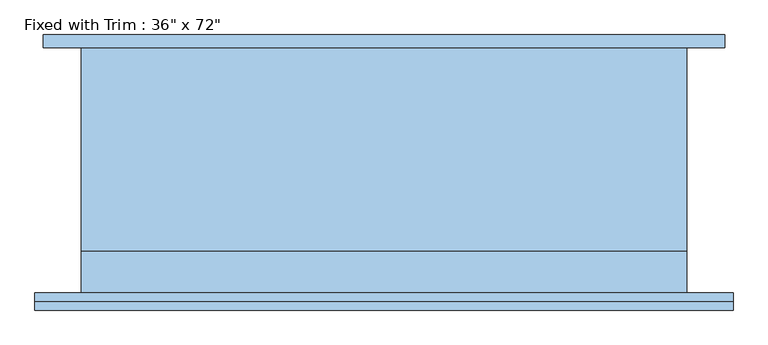
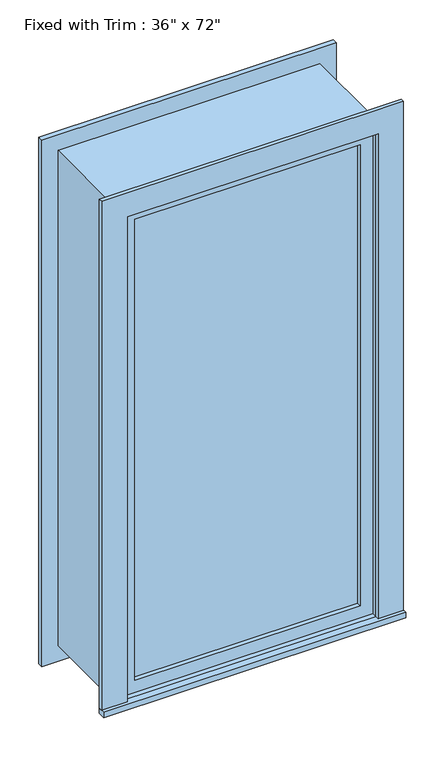
"""IFC4 building model written with IfcOpenShell, lengths in millimetres: window geometry."""

from ifc_helpers import new_model, si_unit, frame, origin, place, context, project, spatial, polyline, outline, extrude, source, transform, mapped, element, save


def window_fdc4315f(model_context):
    return source(origin(), model_context, "Body", "SweptSolid", [
        extrude(outline(polyline([(-565.15, -211.074), (-565.15, -185.674), (488.95, -185.674), (488.95, -211.074), (-565.15, -211.074)])), frame((0.0, 0.0, 304.8), z_axis=(0.0, 0.0, 1.0), x_axis=(1.0, 0.0, 0.0)), (0.0, 0.0, 1.0), 19.05),
        extrude(outline(polyline([(2114.55, -476.25), (2114.55, 400.05), (323.85, 400.05), (323.85, 488.95), (2203.45, 488.95), (2203.45, -565.15), (323.85, -565.15), (323.85, -476.25), (2114.55, -476.25)])), frame((0.0, -198.374, 0.0), z_axis=(0.0, 1.0, 0.0), x_axis=(0.0, 0.0, 1.0)), (0.0, 0.0, 1.0), 12.7),
        extrude(outline(polyline([(2190.75, 476.25), (2190.75, -552.45), (247.65, -552.45), (247.65, 476.25), (2190.75, 476.25)]), holes=[polyline([(2101.85, 387.35), (336.55, 387.35), (336.55, -463.55), (2101.85, -463.55), (2101.85, 387.35)])]), frame((0.0, 185.674, 0.0), z_axis=(0.0, 1.0, 0.0), x_axis=(0.0, 0.0, 1.0)), (0.0, 0.0, 1.0), 19.05),
        extrude(outline(polyline([(355.6, -138.049), (355.6, -150.749), (-431.8, -150.749), (-431.8, -138.049), (355.6, -138.049)])), frame((0.0, 0.0, 368.3), z_axis=(0.0, 0.0, 1.0), x_axis=(1.0, 0.0, 0.0)), (0.0, 0.0, 1.0), 1701.8),
        extrude(outline(polyline([(2114.55, -476.25), (323.85, -476.25), (323.85, 400.05), (2114.55, 400.05), (2114.55, -476.25)]), holes=[polyline([(2070.1, -431.8), (2070.1, 355.6), (368.3, 355.6), (368.3, -431.8), (2070.1, -431.8)])]), frame((0.0, -166.624, 0.0), z_axis=(0.0, 1.0, 0.0), x_axis=(0.0, 0.0, 1.0)), (0.0, 0.0, 1.0), 44.45),
        extrude(outline(polyline([(2133.6, -495.3), (304.8, -495.3), (304.8, 419.1), (2133.6, 419.1), (2133.6, -495.3)]), holes=[polyline([(2101.85, -463.55), (2101.85, 387.35), (336.55, 387.35), (336.55, -463.55), (2101.85, -463.55)])]), frame((0.0, -122.174, 0.0), z_axis=(0.0, 1.0, 0.0), x_axis=(0.0, 0.0, 1.0)), (0.0, 0.0, 1.0), 307.848),
        extrude(outline(polyline([(2133.6, 419.1), (2133.6, -495.3), (304.8, -495.3), (304.8, 419.1), (2133.6, 419.1)]), holes=[polyline([(2114.55, 400.05), (323.85, 400.05), (323.85, -476.25), (2114.55, -476.25), (2114.55, 400.05)])]), frame((0.0, -185.674, 0.0), z_axis=(0.0, 1.0, 0.0), x_axis=(0.0, 0.0, 1.0)), (0.0, 0.0, 1.0), 63.5),
    ])


if __name__ == "__main__":
    model = new_model("IFC4")
    model_context = context("Model", 3, world=origin())
    ifc_project = project(units=[si_unit("LENGTHUNIT", "METRE", prefix="MILLI")], contexts=[model_context])
    site = spatial("IfcSite", under=ifc_project)
    building = spatial("IfcBuilding", under=site)
    placement = place(None, origin())
    window_shape = window_fdc4315f(model_context)
    element("IfcWindow", 1, ObjectType="Fixed with Trim : 36\" x 72\"", at=placement, inside=building, context=model_context, shape_type="MappedRepresentation", body=[
        mapped(window_shape, transform((0.0, 0.0, 0.0), x_axis=(1.0, 0.0, 0.0), y_axis=(0.0, 1.0, 0.0), z_axis=(0.0, 0.0, 1.0))),
    ])
    save(model, "model.ifc")
